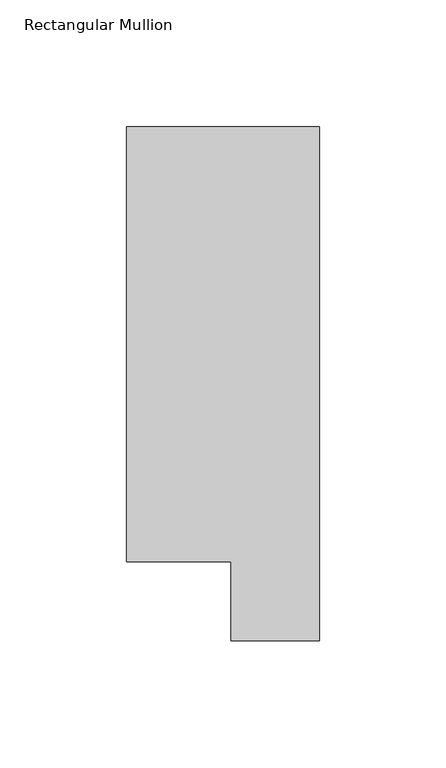
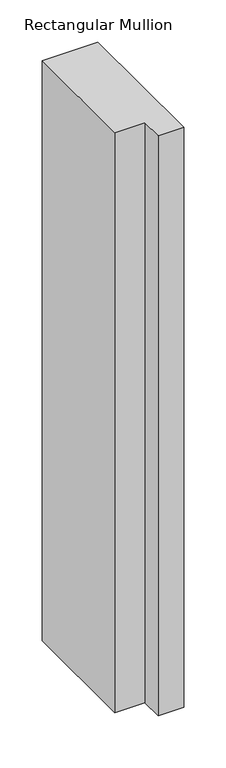
"""IFC4 building model written with IfcOpenShell, lengths in millimetres: member geometry, Rectangular Mullion."""

from ifc_helpers import new_model, si_unit, frame, origin, place, context, project, spatial, polyline, outline, extrude, source, transform, mapped, element, save


def rectangular_mullion_bd8af8e6(model_context):
    return source(origin(), model_context, "Body", "SweptSolid", [
        extrude(outline(polyline([(0.0, 222.5381312), (0.0, 19.5667313), (-34.9123, 19.5667313), (-34.9123, 50.820278), (-76.2, 50.820278), (-76.2, 222.5381312), (0.0, 222.5381312)])), frame((0.0, 0.0, -838.2000002), z_axis=(0.0, 0.0, 1.0), x_axis=(1.0, 0.0, 0.0)), (0.0, 0.0, 1.0), 838.2000002),
    ])


if __name__ == "__main__":
    model = new_model("IFC4")
    model_context = context("Model", 3, world=origin())
    ifc_project = project(units=[si_unit("LENGTHUNIT", "METRE", prefix="MILLI")], contexts=[model_context])
    site = spatial("IfcSite", under=ifc_project)
    building = spatial("IfcBuilding", under=site)
    placement = place(None, origin())
    rectangular_mullion_shape = rectangular_mullion_bd8af8e6(model_context)
    element("IfcMember", 1, ObjectType="Rectangular Mullion", at=placement, inside=building, context=model_context, shape_type="MappedRepresentation", body=[
        mapped(rectangular_mullion_shape, transform((0.0, 0.0, 0.0), x_axis=(1.0, 0.0, 0.0), y_axis=(0.0, 1.0, 0.0), z_axis=(0.0, 0.0, 1.0))),
    ])
    save(model, "model.ifc")
